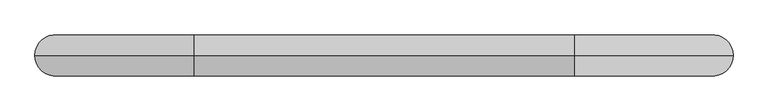
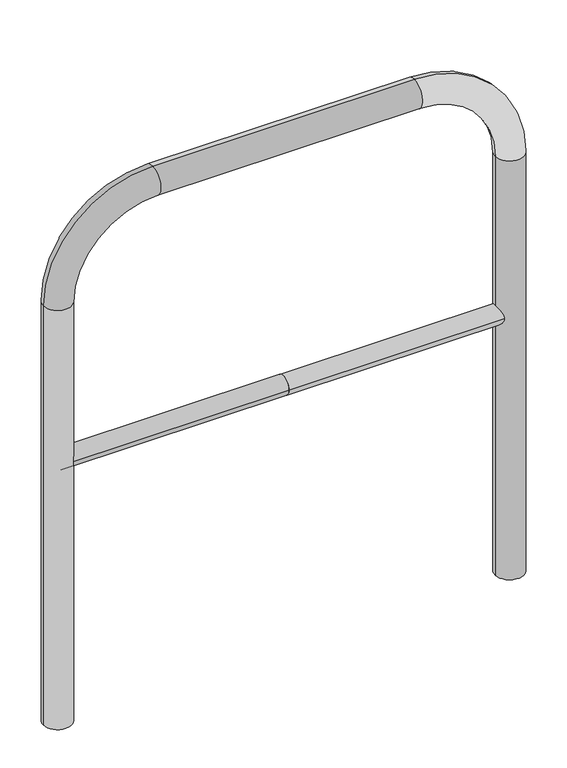
"""IFC4 building model written with IfcOpenShell, lengths in millimetres: proxy geometry."""

import ifcopenshell
import ifcopenshell.guid

model = None  # the IFC model being written
_history = None  # IfcOwnerHistory: only IFC2X3 demands one
_inside = {}  # id of a spatial element -> (the spatial element, [elements in it])
_under = {}  # id of a project, library or spatial element -> (it, [spatial elements below it])
_declared = {}  # id of a project -> (the project, [libraries it declares])
_typed = {}  # id of a type object -> (the type object, [elements of that type])
_made_of = {}  # id of a material, layer set ... -> (it, [elements and type objects made of it])


def new_model(schema):
    """Start an empty IFC model of exactly this schema.

    Asked for "IFC4X3", IfcOpenShell would pick the latest addendum, in which some entities
    have other attributes; the version numbers below select the first issue.
    IFC2X3 requires an IfcOwnerHistory on every rooted entity: one is made here for all.
    """
    global model, _history
    if schema == "IFC4X3":
        model = ifcopenshell.file(schema_version=(4, 3, 0, 0))
    else:
        model = ifcopenshell.file(schema=schema)
    _inside.clear()
    _under.clear()
    _declared.clear()
    _typed.clear()
    _made_of.clear()
    _history = None
    if model.schema == "IFC2X3":
        org = make("IfcOrganization", Name="unknown")
        user = make(
            "IfcPersonAndOrganization",
            ThePerson=make("IfcPerson", FamilyName="unknown"),
            TheOrganization=org,
        )
        app = make(
            "IfcApplication",
            ApplicationDeveloper=org,
            Version="unknown",
            ApplicationFullName="unknown",
            ApplicationIdentifier="unknown",
        )
        _history = make(
            "IfcOwnerHistory",
            OwningUser=user,
            OwningApplication=app,
            ChangeAction="ADDED",
            CreationDate=0,
        )
    return model


def make(cls, **values):
    """One entity of the class cls with the attributes given. An attribute that is None is left unset."""
    return model.create_entity(
        cls, **{name: value for name, value in values.items() if value is not None}
    )


def rooted(cls, **values):
    """An entity with a GlobalId (a new one), such as an element, a storey or a relation."""
    return make(cls, GlobalId=ifcopenshell.guid.new(), OwnerHistory=_history, **values)


def si_unit(unit_type, name, prefix=None):
    """IfcSIUnit, for example si_unit("LENGTHUNIT", "METRE", prefix="MILLI")."""
    return make("IfcSIUnit", UnitType=unit_type, Prefix=prefix, Name=name)


def assignment(units):
    """IfcUnitAssignment: the units of a project."""
    return None if units is None else make("IfcUnitAssignment", Units=units)


def point(xyz):
    """IfcCartesianPoint."""
    return None if xyz is None else make("IfcCartesianPoint", Coordinates=xyz)


def direction(xyz):
    """IfcDirection."""
    return None if xyz is None else make("IfcDirection", DirectionRatios=xyz)


def frame(location, z_axis=None, x_axis=None):
    """IfcAxis2Placement3D, a coordinate frame: its origin and axes. An axis left out is left unset."""
    return make(
        "IfcAxis2Placement3D",
        Location=point(location),
        Axis=direction(z_axis),
        RefDirection=direction(x_axis),
    )


def frame_2d(location, x_axis=None):
    """IfcAxis2Placement2D, a coordinate frame in the plane: its origin and x axis."""
    return make(
        "IfcAxis2Placement2D", Location=point(location), RefDirection=direction(x_axis)
    )


def origin():
    """The frame at (0, 0, 0) with its axes left unset."""
    return frame((0.0, 0.0, 0.0))


def place(relative_to, where):
    """IfcLocalPlacement: puts the frame where relative to a parent placement (None: the world)."""
    return make(
        "IfcLocalPlacement", PlacementRelTo=relative_to, RelativePlacement=where
    )


def context(
    kind, dimensions, precision=None, world=None, true_north=None, identifier=None
):
    """IfcGeometricRepresentationContext, for example the 3D "Model" context."""
    return make(
        "IfcGeometricRepresentationContext",
        ContextIdentifier=identifier,
        ContextType=kind,
        CoordinateSpaceDimension=dimensions,
        Precision=precision,
        WorldCoordinateSystem=world,
        TrueNorth=true_north,
    )


def project(units=None, contexts=None):
    """IfcProject with its units and contexts."""
    return rooted(
        "IfcProject",
        Name="project",
        RepresentationContexts=contexts,
        UnitsInContext=assignment(units),
    )


def spatial(cls, under=None, at=None, **own):
    """A site, building, storey or space (cls), placed at a placement, below another one or the project."""
    s = rooted(cls, ObjectPlacement=at, **own)
    if under is not None:
        _under.setdefault(under.id(), (under, []))[1].append(s)
    return s


def circle_curve(where, radius):
    """IfcCircle in the frame where."""
    return make("IfcCircle", Position=where, Radius=radius)


def ellipse_curve(where, semi_axis1, semi_axis2):
    """IfcEllipse in the frame where."""
    return make(
        "IfcEllipse", Position=where, SemiAxis1=semi_axis1, SemiAxis2=semi_axis2
    )


def trimmed(basis, trim1, trim2, sense, master):
    """IfcTrimmedCurve: the piece of a basis curve between two trims."""
    return make(
        "IfcTrimmedCurve",
        BasisCurve=basis,
        Trim1=trim1,
        Trim2=trim2,
        SenseAgreement=sense,
        MasterRepresentation=master,
    )


def segment(curve, same_sense, transition):
    """IfcCompositeCurveSegment."""
    return make(
        "IfcCompositeCurveSegment",
        Transition=transition,
        SameSense=same_sense,
        ParentCurve=curve,
    )


def composite_curve(segments, self_intersect=None):
    """IfcCompositeCurve: segments joined end to end."""
    return make("IfcCompositeCurve", Segments=segments, SelfIntersect=self_intersect)


def outline(outer, holes=None, kind="AREA"):
    """IfcArbitraryClosedProfileDef: a profile drawn as a closed curve; with holes, ...WithVoids."""
    if holes is None:
        return make("IfcArbitraryClosedProfileDef", ProfileType=kind, OuterCurve=outer)
    return make(
        "IfcArbitraryProfileDefWithVoids",
        ProfileType=kind,
        OuterCurve=outer,
        InnerCurves=holes,
    )


def extrude(swept, where, along, depth):
    """IfcExtrudedAreaSolid: the profile swept, set in the frame where, extruded along a direction by depth."""
    return make(
        "IfcExtrudedAreaSolid",
        SweptArea=swept,
        Position=where,
        ExtrudedDirection=direction(along),
        Depth=depth,
    )


def shape(context_of_items, identifier, shape_type, items):
    """IfcShapeRepresentation: the items that make up one representation, for example the "Body"."""
    return make(
        "IfcShapeRepresentation",
        ContextOfItems=context_of_items,
        RepresentationIdentifier=identifier,
        RepresentationType=shape_type,
        Items=items,
    )


def source(mapping_origin, context_of_items, identifier, shape_type, items):
    """IfcRepresentationMap: a shape defined once, which mapped items show again and again."""
    return make(
        "IfcRepresentationMap",
        MappingOrigin=mapping_origin,
        MappedRepresentation=shape(context_of_items, identifier, shape_type, items),
    )


def transform(
    local_origin,
    x_axis=None,
    y_axis=None,
    z_axis=None,
    scale=None,
    scale2=None,
    scale3=None,
    uniform=True,
):
    """IfcCartesianTransformationOperator3D, or its non-uniform kind. x_axis, y_axis, z_axis: its Axis1, 2, 3."""
    if uniform:
        return make(
            "IfcCartesianTransformationOperator3D",
            Axis1=direction(x_axis),
            Axis2=direction(y_axis),
            LocalOrigin=point(local_origin),
            Scale=scale,
            Axis3=direction(z_axis),
        )
    return make(
        "IfcCartesianTransformationOperator3DnonUniform",
        Axis1=direction(x_axis),
        Axis2=direction(y_axis),
        LocalOrigin=point(local_origin),
        Scale=scale,
        Axis3=direction(z_axis),
        Scale2=scale2,
        Scale3=scale3,
    )


def mapped(mapping_source, mapping_target):
    """IfcMappedItem: shows the shape of a source again, moved by a transform."""
    return make(
        "IfcMappedItem", MappingSource=mapping_source, MappingTarget=mapping_target
    )


def made_of(thing, what):
    """Note that an element or type object is made of a material, layer set ...; save() writes the relation."""
    if what is not None:
        _made_of.setdefault(what.id(), (what, []))[1].append(thing)
    return thing


def element(
    cls,
    number,
    at=None,
    inside=None,
    cuts=None,
    type_object=None,
    material=None,
    context=None,
    identifier="Body",
    shape_type=None,
    held_by="IfcProductDefinitionShape",
    body=None,
    shapes=None,
    **own,
):
    """One element of the class cls, such as IfcWall. Its Tag is "e" and its number.

    at: its placement. inside: the storey or other place that contains it. cuts: it is an
    opening in that element (IfcRelVoidsElement). A single representation is given by context,
    identifier, shape_type and body (its items); several are given by shapes. held_by: the class
    of the entity that holds the representations. save() writes the other relations.
    """
    e = rooted(cls, Tag="e%d" % number, ObjectPlacement=at, **own)
    if body is not None:
        shapes = [shape(context, identifier, shape_type, body)]
    if shapes is not None:
        e.Representation = make(held_by, Representations=shapes)
    if inside is not None:
        _inside.setdefault(inside.id(), (inside, []))[1].append(e)
    if cuts is not None:
        rooted(
            "IfcRelVoidsElement", RelatingBuildingElement=cuts, RelatedOpeningElement=e
        )
    if type_object is not None:
        _typed.setdefault(type_object.id(), (type_object, []))[1].append(e)
    return made_of(e, material)


def aggregate(whole, parts):
    """IfcRelAggregates: a whole, such as a stair, and the parts it consists of."""
    return rooted("IfcRelAggregates", RelatingObject=whole, RelatedObjects=parts)


def save(model, path):
    """Write the relations noted so far, then the file.

    IfcRelAggregates (storeys below a building ...), IfcRelContainedInSpatialStructure (elements
    in a storey), IfcRelDefinesByType, IfcRelAssociatesMaterial and IfcRelDeclares: one each for
    every whole, place, type object, material and project.
    """
    for whole, parts in _under.values():
        aggregate(whole, parts)
    for where, things in _inside.values():
        rooted(
            "IfcRelContainedInSpatialStructure",
            RelatedElements=things,
            RelatingStructure=where,
        )
    for kind, things in _typed.values():
        rooted("IfcRelDefinesByType", RelatedObjects=things, RelatingType=kind)
    for what, things in _made_of.values():
        rooted("IfcRelAssociatesMaterial", RelatedObjects=things, RelatingMaterial=what)
    for by, libraries in _declared.values():
        rooted("IfcRelDeclares", RelatingContext=by, RelatedDefinitions=libraries)
    model.write(path)


def plane_surface(at):
    """IfcPlane: the flat surface through the origin of the frame at, square to its z axis."""
    return make("IfcPlane", Position=at)


def cylinder_surface(at, radius):
    """IfcCylindricalSurface: all points at the distance radius from the z axis of the frame at."""
    return make("IfcCylindricalSurface", Position=at, Radius=radius)


def revolved_surface(curve, axis_point, axis_direction):
    """IfcSurfaceOfRevolution: the curve turned about the line through axis_point along axis_direction."""
    return make(
        "IfcSurfaceOfRevolution",
        SweptCurve=make("IfcArbitraryOpenProfileDef", ProfileType="CURVE", Curve=curve),
        AxisPosition=make("IfcAxis1Placement", Location=point(axis_point), Axis=direction(axis_direction)),
    )


def advanced_brep(points, edges, surfaces, faces):
    """IfcAdvancedBrep: a solid bounded by faces that lie on surfaces and meet in shared edges.

    An edge is (start, end): straight between two places in points (the first is 0);
    or (start, end, curve); or (start, end, curve, False) where it runs against its curve.
    A face is (place in surfaces, loops), or (place, loops, False) where it looks against
    its surface's normal. A loop lists edges by number (the first is 1), with a minus sign
    where the edge is run from its end to its start. The first loop is the outer one.
    """
    corners = [point(p) for p in points]
    vertices = [make("IfcVertexPoint", VertexGeometry=c) for c in corners]
    made = []
    for start, end, *more in edges:
        made.append(
            make(
                "IfcEdgeCurve",
                EdgeStart=vertices[start],
                EdgeEnd=vertices[end],
                EdgeGeometry=more[0] if more else make("IfcPolyline", Points=[corners[start], corners[end]]),
                SameSense=more[1] if len(more) > 1 else True,
            )
        )
    hull = []
    for where, loops, *sense in faces:
        bounds = []
        for j, loop in enumerate(loops):
            ring = [make("IfcOrientedEdge", EdgeElement=made[abs(k) - 1], Orientation=k > 0) for k in loop]
            bounds.append(
                make(
                    "IfcFaceOuterBound" if j == 0 else "IfcFaceBound",
                    Bound=make("IfcEdgeLoop", EdgeList=ring),
                    Orientation=True,
                )
            )
        hull.append(make("IfcAdvancedFace", Bounds=bounds, FaceSurface=surfaces[where], SameSense=sense[0] if sense else True))
    return make("IfcAdvancedBrep", Outer=make("IfcClosedShell", CfsFaces=hull))


def generic_models_a70a144c(model_context):
    return source(origin(), model_context, "Body", "SolidModel", [
        extrude(outline(composite_curve([segment(trimmed(circle_curve(frame_2d((0.0, 498.4778375)), 20.0), [point((20.0, 498.4778375))], [point((-20.0, 498.4778375))], False, "CARTESIAN"), True, "CONTINUOUS"), segment(trimmed(circle_curve(frame_2d((0.0, 498.4778375)), 20.0), [point((-20.0, 498.4778375))], [point((20.0, 498.4778375))], False, "CARTESIAN"), True, "CONTINUOUS")], self_intersect=False)), frame((-475.0, 0.0, 0.0), z_axis=(1.0, 0.0, 0.0), x_axis=(0.0, 1.0, 0.0)), (0.0, 0.0, 1.0), 475.0),
        extrude(outline(composite_curve([segment(trimmed(circle_curve(frame_2d((0.0, 498.4778375)), 20.0), [point((20.0, 498.4778375))], [point((-20.0, 498.4778375))], False, "CARTESIAN"), True, "CONTINUOUS"), segment(trimmed(circle_curve(frame_2d((0.0, 498.4778375)), 20.0), [point((-20.0, 498.4778375))], [point((20.0, 498.4778375))], False, "CARTESIAN"), True, "CONTINUOUS")], self_intersect=False)), frame((0.0, 0.0, 0.0), z_axis=(1.0, 0.0, 0.0), x_axis=(0.0, 1.0, 0.0)), (0.0, 0.0, 1.0), 475.0),
        advanced_brep(
        [(-445.0, 0.0, -80.0), (-505.0, 0.0, -80.0), (-505.0, 0.0, 850.0), (-445.0, 0.0, 850.0), (-275.0, 0.0, 1080.0), (-275.0, 0.0, 1020.0), (275.0, 0.0, 1080.0), (275.0, 0.0, 1020.0), (505.0, 0.0, 850.0), (445.0, 0.0, 850.0), (445.0, 0.0, -80.0), (505.0, 0.0, -80.0)],
        [
            (0, 1, circle_curve(frame((-475.0, 0.0, -80.0), z_axis=(0.0, 0.0, -1.0), x_axis=(-1.0, 0.0, 0.0)), 30.0)),
            (1, 0, circle_curve(frame((-475.0, 0.0, -80.0), z_axis=(0.0, 0.0, -1.0), x_axis=(-1.0, 0.0, 0.0)), 30.0)),
            (1, 2),
            (2, 3, circle_curve(frame((-475.0, 0.0, 850.0), z_axis=(0.0, 0.0, -1.0), x_axis=(-1.0, 0.0, 0.0)), 30.0)),
            (3, 0),
            (3, 2, circle_curve(frame((-475.0, 0.0, 850.0), z_axis=(0.0, 0.0, -1.0), x_axis=(-1.0, 0.0, 0.0)), 30.0)),
            (4, 5, circle_curve(frame((-275.0, 0.0, 1050.0), z_axis=(-1.0, 0.0, 0.0), x_axis=(0.0, 0.0, 1.0)), 30.0)),
            (5, 3, circle_curve(frame((-275.0, 0.0, 850.0), z_axis=(0.0, -1.0, 0.0), x_axis=(-1.0, 0.0, 0.0)), 170.0)),
            (2, 4, circle_curve(frame((-275.0, 0.0, 850.0), z_axis=(0.0, 1.0, 0.0), x_axis=(-1.0, 0.0, 0.0)), 230.0)),
            (5, 4, circle_curve(frame((-275.0, 0.0, 1050.0), z_axis=(-1.0, 0.0, 0.0), x_axis=(0.0, 0.0, 1.0)), 30.0)),
            (4, 6),
            (6, 7, circle_curve(frame((275.0, 0.0, 1050.0), z_axis=(-1.0, 0.0, 0.0), x_axis=(0.0, 0.0, 1.0)), 30.0)),
            (7, 5),
            (7, 6, circle_curve(frame((275.0, 0.0, 1050.0), z_axis=(-1.0, 0.0, 0.0), x_axis=(0.0, 0.0, 1.0)), 30.0)),
            (8, 9, circle_curve(frame((475.0, 0.0, 850.0), z_axis=(0.0, 0.0, 1.0), x_axis=(1.0, 0.0, 0.0)), 30.0)),
            (9, 7, circle_curve(frame((275.0, 0.0, 850.0), z_axis=(0.0, -1.0, 0.0), x_axis=(0.0, 0.0, 1.0)), 170.0)),
            (6, 8, circle_curve(frame((275.0, 0.0, 850.0), z_axis=(0.0, 1.0, 0.0), x_axis=(0.0, 0.0, 1.0)), 230.0)),
            (9, 8, circle_curve(frame((475.0, 0.0, 850.0), z_axis=(0.0, 0.0, 1.0), x_axis=(1.0, 0.0, 0.0)), 30.0)),
            (10, 11, circle_curve(frame((475.0, 0.0, -80.0), z_axis=(0.0, 0.0, -1.0), x_axis=(1.0, 0.0, 0.0)), 30.0)),
            (11, 10, circle_curve(frame((475.0, 0.0, -80.0), z_axis=(0.0, 0.0, -1.0), x_axis=(1.0, 0.0, 0.0)), 30.0)),
            (8, 11),
            (10, 9),
        ],
        [
            plane_surface(frame((-475.0, 0.0, -80.0), z_axis=(0.0, 0.0, -1.0), x_axis=(0.0, 1.0, 0.0))),
            cylinder_surface(frame((-475.0, 0.0, -80.0), z_axis=(0.0, 0.0, -1.0), x_axis=(-1.0, 0.0, 0.0)), 30.0),
            revolved_surface(trimmed(ellipse_curve(frame((-475.0, 0.0, 850.0), z_axis=(0.0, 0.0, 1.0), x_axis=(-1.0, 0.0, 0.0)), 30.0, 30.0), [point((-445.0, 0.0, 850.0))], [point((-505.0, 0.0, 850.0))], True, "CARTESIAN"), (-275.0, 0.0, 850.0), (0.0, -1.0, 0.0)),
            revolved_surface(trimmed(ellipse_curve(frame((-475.0, 0.0, 850.0), z_axis=(0.0, 0.0, 1.0), x_axis=(-1.0, 0.0, 0.0)), 30.0, 30.0), [point((-505.0, 0.0, 850.0))], [point((-445.0, 0.0, 850.0))], True, "CARTESIAN"), (-275.0, 0.0, 850.0), (0.0, -1.0, 0.0)),
            cylinder_surface(frame((-275.0, 0.0, 1050.0), z_axis=(-1.0, 0.0, 0.0), x_axis=(0.0, 0.0, 1.0)), 30.0),
            revolved_surface(trimmed(ellipse_curve(frame((275.0, 0.0, 1050.0), z_axis=(1.0, 0.0, 0.0), x_axis=(0.0, 0.0, 1.0)), 30.0, 30.0), [point((275.0, 0.0, 1020.0))], [point((275.0, 0.0, 1080.0))], True, "CARTESIAN"), (275.0, 0.0, 850.0), (0.0, -1.0, 0.0)),
            revolved_surface(trimmed(ellipse_curve(frame((275.0, 0.0, 1050.0), z_axis=(1.0, 0.0, 0.0), x_axis=(0.0, 0.0, 1.0)), 30.0, 30.0), [point((275.0, 0.0, 1080.0))], [point((275.0, 0.0, 1020.0))], True, "CARTESIAN"), (275.0, 0.0, 850.0), (0.0, -1.0, 0.0)),
            plane_surface(frame((475.0, 0.0, -80.0), z_axis=(0.0, 0.0, -1.0), x_axis=(0.0, 1.0, 0.0))),
            cylinder_surface(frame((475.0, 0.0, 850.0), z_axis=(0.0, 0.0, 1.0), x_axis=(1.0, 0.0, 0.0)), 30.0),
        ],
        [
            (0, [[1, 2]]),
            (1, [[3, 4, 5, -2]]),
            (1, [[-5, 6, -3, -1]]),
            (2, [[7, 8, -4, 9]]),
            (3, [[10, -9, -6, -8]]),
            (4, [[11, 12, 13, -7]]),
            (4, [[-13, 14, -11, -10]]),
            (5, [[15, 16, -12, 17]]),
            (6, [[18, -17, -14, -16]]),
            (7, [[19, 20]]),
            (8, [[21, -19, 22, -15]]),
            (8, [[-22, -20, -21, -18]]),
        ],
    ),
    ])


if __name__ == "__main__":
    model = new_model("IFC4")
    model_context = context("Model", 3, world=origin())
    ifc_project = project(units=[si_unit("LENGTHUNIT", "METRE", prefix="MILLI")], contexts=[model_context])
    site = spatial("IfcSite", under=ifc_project)
    building = spatial("IfcBuilding", under=site)
    placement = place(None, origin())
    generic_models_shape = generic_models_a70a144c(model_context)
    element("IfcBuildingElementProxy", 1, Name="Generic Models", at=placement, inside=building, context=model_context, shape_type="MappedRepresentation", body=[
        mapped(generic_models_shape, transform((0.0, 0.0, 0.0), x_axis=(1.0, 0.0, 0.0), y_axis=(0.0, 1.0, 0.0), z_axis=(0.0, 0.0, 1.0))),
    ])
    save(model, "model.ifc")
